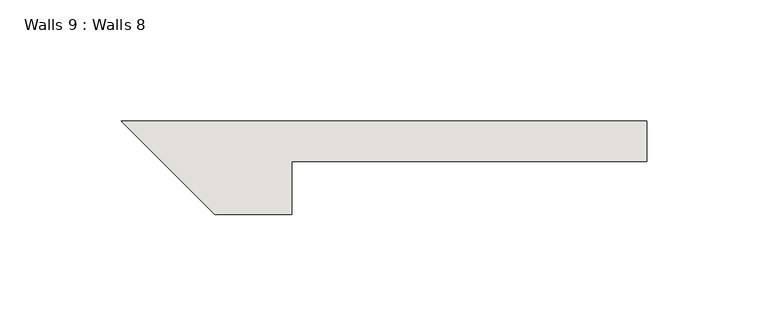
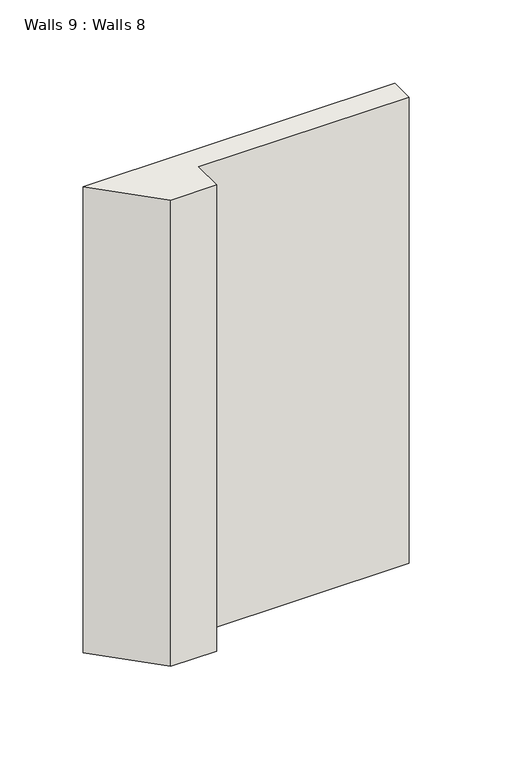
"""IFC4 building model written with IfcOpenShell, lengths in millimetres: wall geometry, Walls 9 : Walls 8."""

from ifc_helpers import new_model, si_unit, origin, place, context, project, spatial, faceted_brep, source, transform, mapped, element, save


def walls_9_walls_8_cd9a5922(model_context):
    return source(origin(), model_context, "Body", "Brep", [
        faceted_brep([(-5748.0957962, -9350.9811541, -6312.8327984), (-5748.0957962, -9329.2232563, -6312.8327984), (-5602.0457962, -9329.2232563, -6312.8327984), (-5602.0457962, -9312.5557753, -6312.8327984), (-5818.271175, -9312.5557753, -6312.8327984), (-5779.8457962, -9350.9811541, -6312.8327984), (-5748.0957962, -9350.9811541, -6349.3081066), (-5748.0957962, -9350.9811541, -6654.614884), (-5748.0957962, -9329.2232563, -6654.614884), (-5779.8457962, -9350.9811541, -6349.3081066), (-5779.8457962, -9350.9811541, -6654.614884), (-5818.271175, -9312.5557753, -6395.1016898), (-5818.271175, -9312.5557753, -6654.614884), (-5602.0457962, -9312.5557753, -6654.614884), (-5602.0457962, -9329.2232563, -6654.614884)], [[[0, 1, 2, 3, 4, 5]], [[1, 0, 6, 7, 8]], [[0, 5, 9, 10, 7, 6]], [[5, 4, 11, 12, 10, 9]], [[4, 3, 13, 12, 11]], [[3, 2, 14, 13]], [[2, 1, 8, 14]], [[8, 7, 10, 12, 13, 14]]]),
    ])


if __name__ == "__main__":
    model = new_model("IFC4")
    model_context = context("Model", 3, world=origin())
    ifc_project = project(units=[si_unit("LENGTHUNIT", "METRE", prefix="MILLI")], contexts=[model_context])
    site = spatial("IfcSite", under=ifc_project)
    building = spatial("IfcBuilding", under=site)
    placement = place(None, origin())
    walls_9_walls_8_shape = walls_9_walls_8_cd9a5922(model_context)
    element("IfcWall", 1, ObjectType="Walls 9 : Walls 8", at=placement, inside=building, context=model_context, shape_type="MappedRepresentation", body=[
        mapped(walls_9_walls_8_shape, transform((0.0, 0.0, 0.0), x_axis=(1.0, 0.0, 0.0), y_axis=(0.0, 1.0, 0.0), z_axis=(0.0, 0.0, 1.0))),
    ])
    save(model, "model.ifc")
